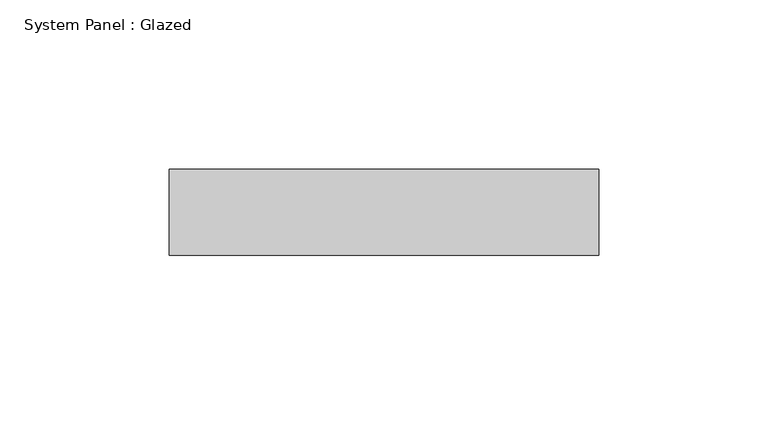
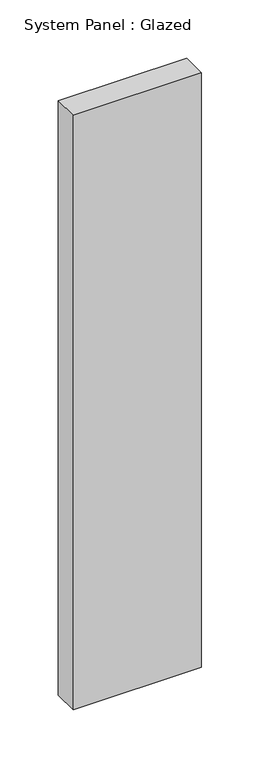
"""IFC4 building model written with IfcOpenShell, lengths in millimetres: plate geometry, System Panel : Glazed."""

from ifc_helpers import new_model, si_unit, origin, origin_with_axes, place, context, project, spatial, polyline, outline, extrude, source, transform, mapped, element, save


def system_panel_glazed_d1c3ed1c(model_context):
    return source(origin(), model_context, "Body", "SweptSolid", [
        extrude(outline(polyline([(63.5, 19.05), (-63.5, 19.05), (-63.5, 44.45), (63.5, 44.45), (63.5, 19.05)])), origin_with_axes(), (0.0, 0.0, 1.0), 622.3),
    ])


if __name__ == "__main__":
    model = new_model("IFC4")
    model_context = context("Model", 3, world=origin())
    ifc_project = project(units=[si_unit("LENGTHUNIT", "METRE", prefix="MILLI")], contexts=[model_context])
    site = spatial("IfcSite", under=ifc_project)
    building = spatial("IfcBuilding", under=site)
    placement = place(None, origin())
    system_panel_glazed_shape = system_panel_glazed_d1c3ed1c(model_context)
    element("IfcPlate", 1, ObjectType="System Panel : Glazed", at=placement, inside=building, context=model_context, shape_type="MappedRepresentation", body=[
        mapped(system_panel_glazed_shape, transform((0.0, 0.0, 0.0), x_axis=(1.0, 0.0, 0.0), y_axis=(0.0, 1.0, 0.0), z_axis=(0.0, 0.0, 1.0))),
    ])
    save(model, "model.ifc")
